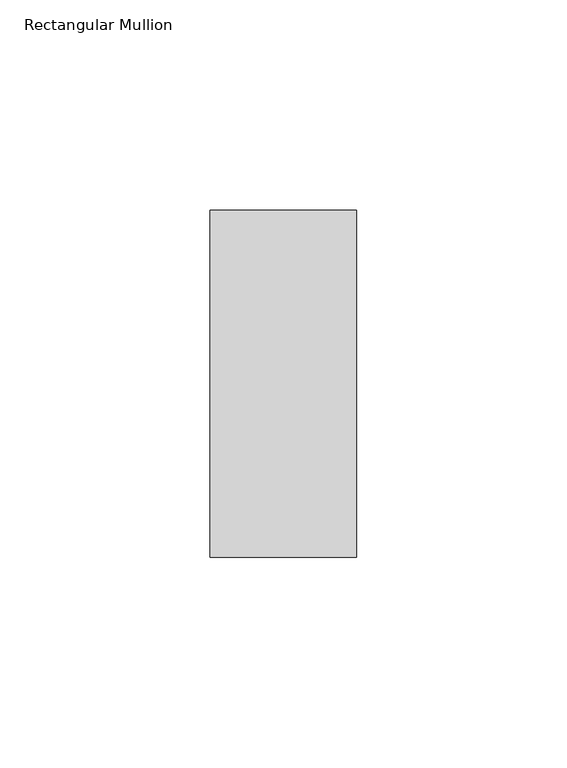
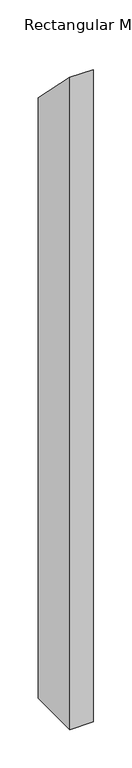
"""IFC4 building model written with IfcOpenShell, lengths in millimetres: member geometry, Rectangular Mullion."""

from ifc_helpers import new_model, si_unit, frame, origin, place, context, project, spatial, polyline, outline, extrude, source, transform, mapped, element, save


def rectangular_mullion_1556502c(model_context):
    return source(origin(), model_context, "Body", "SweptSolid", [
        extrude(outline(polyline([(-9.525, 9.525), (73.025, -73.025), (73.025, -1028.7), (-9.525, -1028.7), (-9.525, 9.525)])), frame((-34.925, 0.0, 0.0), z_axis=(1.0, 0.0, 0.0), x_axis=(0.0, 1.0, 0.0)), (0.0, 0.0, 1.0), 34.925),
    ])


if __name__ == "__main__":
    model = new_model("IFC4")
    model_context = context("Model", 3, world=origin())
    ifc_project = project(units=[si_unit("LENGTHUNIT", "METRE", prefix="MILLI")], contexts=[model_context])
    site = spatial("IfcSite", under=ifc_project)
    building = spatial("IfcBuilding", under=site)
    placement = place(None, origin())
    rectangular_mullion_shape = rectangular_mullion_1556502c(model_context)
    element("IfcMember", 1, ObjectType="Rectangular Mullion", at=placement, inside=building, context=model_context, shape_type="MappedRepresentation", body=[
        mapped(rectangular_mullion_shape, transform((0.0, 0.0, 0.0), x_axis=(1.0, 0.0, 0.0), y_axis=(0.0, 1.0, 0.0), z_axis=(0.0, 0.0, 1.0))),
    ])
    save(model, "model.ifc")
